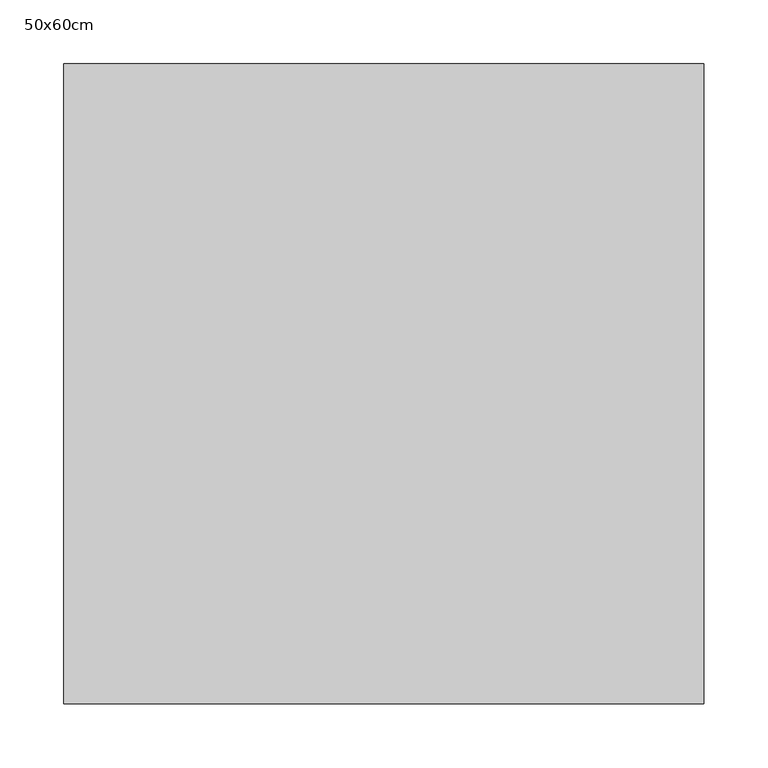
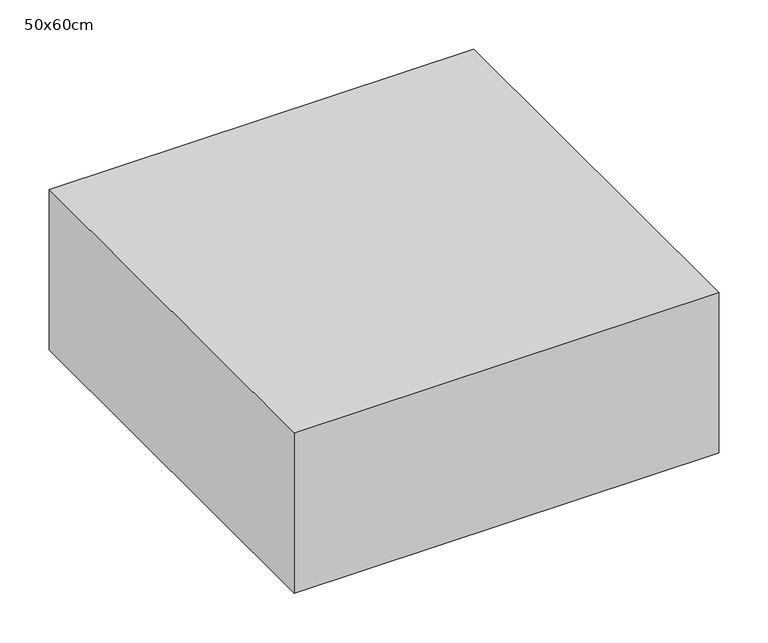
"""IFC4 building model written with IfcOpenShell, lengths in millimetres: proxy geometry, 50x60cm."""

import ifcopenshell
import ifcopenshell.guid

model = None  # the IFC model being written
_history = None  # IfcOwnerHistory: only IFC2X3 demands one
_inside = {}  # id of a spatial element -> (the spatial element, [elements in it])
_under = {}  # id of a project, library or spatial element -> (it, [spatial elements below it])
_declared = {}  # id of a project -> (the project, [libraries it declares])
_typed = {}  # id of a type object -> (the type object, [elements of that type])
_made_of = {}  # id of a material, layer set ... -> (it, [elements and type objects made of it])


def new_model(schema):
    """Start an empty IFC model of exactly this schema.

    Asked for "IFC4X3", IfcOpenShell would pick the latest addendum, in which some entities
    have other attributes; the version numbers below select the first issue.
    IFC2X3 requires an IfcOwnerHistory on every rooted entity: one is made here for all.
    """
    global model, _history
    if schema == "IFC4X3":
        model = ifcopenshell.file(schema_version=(4, 3, 0, 0))
    else:
        model = ifcopenshell.file(schema=schema)
    _inside.clear()
    _under.clear()
    _declared.clear()
    _typed.clear()
    _made_of.clear()
    _history = None
    if model.schema == "IFC2X3":
        org = make("IfcOrganization", Name="unknown")
        user = make(
            "IfcPersonAndOrganization",
            ThePerson=make("IfcPerson", FamilyName="unknown"),
            TheOrganization=org,
        )
        app = make(
            "IfcApplication",
            ApplicationDeveloper=org,
            Version="unknown",
            ApplicationFullName="unknown",
            ApplicationIdentifier="unknown",
        )
        _history = make(
            "IfcOwnerHistory",
            OwningUser=user,
            OwningApplication=app,
            ChangeAction="ADDED",
            CreationDate=0,
        )
    return model


def make(cls, **values):
    """One entity of the class cls with the attributes given. An attribute that is None is left unset."""
    return model.create_entity(
        cls, **{name: value for name, value in values.items() if value is not None}
    )


def rooted(cls, **values):
    """An entity with a GlobalId (a new one), such as an element, a storey or a relation."""
    return make(cls, GlobalId=ifcopenshell.guid.new(), OwnerHistory=_history, **values)


def si_unit(unit_type, name, prefix=None):
    """IfcSIUnit, for example si_unit("LENGTHUNIT", "METRE", prefix="MILLI")."""
    return make("IfcSIUnit", UnitType=unit_type, Prefix=prefix, Name=name)


def assignment(units):
    """IfcUnitAssignment: the units of a project."""
    return None if units is None else make("IfcUnitAssignment", Units=units)


def point(xyz):
    """IfcCartesianPoint."""
    return None if xyz is None else make("IfcCartesianPoint", Coordinates=xyz)


def direction(xyz):
    """IfcDirection."""
    return None if xyz is None else make("IfcDirection", DirectionRatios=xyz)


def frame(location, z_axis=None, x_axis=None):
    """IfcAxis2Placement3D, a coordinate frame: its origin and axes. An axis left out is left unset."""
    return make(
        "IfcAxis2Placement3D",
        Location=point(location),
        Axis=direction(z_axis),
        RefDirection=direction(x_axis),
    )


def origin():
    """The frame at (0, 0, 0) with its axes left unset."""
    return frame((0.0, 0.0, 0.0))


def place(relative_to, where):
    """IfcLocalPlacement: puts the frame where relative to a parent placement (None: the world)."""
    return make(
        "IfcLocalPlacement", PlacementRelTo=relative_to, RelativePlacement=where
    )


def context(
    kind, dimensions, precision=None, world=None, true_north=None, identifier=None
):
    """IfcGeometricRepresentationContext, for example the 3D "Model" context."""
    return make(
        "IfcGeometricRepresentationContext",
        ContextIdentifier=identifier,
        ContextType=kind,
        CoordinateSpaceDimension=dimensions,
        Precision=precision,
        WorldCoordinateSystem=world,
        TrueNorth=true_north,
    )


def project(units=None, contexts=None):
    """IfcProject with its units and contexts."""
    return rooted(
        "IfcProject",
        Name="project",
        RepresentationContexts=contexts,
        UnitsInContext=assignment(units),
    )


def spatial(cls, under=None, at=None, **own):
    """A site, building, storey or space (cls), placed at a placement, below another one or the project."""
    s = rooted(cls, ObjectPlacement=at, **own)
    if under is not None:
        _under.setdefault(under.id(), (under, []))[1].append(s)
    return s


def polyline(points):
    """IfcPolyline through the points."""
    return make("IfcPolyline", Points=[point(p) for p in points])


def outline(outer, holes=None, kind="AREA"):
    """IfcArbitraryClosedProfileDef: a profile drawn as a closed curve; with holes, ...WithVoids."""
    if holes is None:
        return make("IfcArbitraryClosedProfileDef", ProfileType=kind, OuterCurve=outer)
    return make(
        "IfcArbitraryProfileDefWithVoids",
        ProfileType=kind,
        OuterCurve=outer,
        InnerCurves=holes,
    )


def extrude(swept, where, along, depth):
    """IfcExtrudedAreaSolid: the profile swept, set in the frame where, extruded along a direction by depth."""
    return make(
        "IfcExtrudedAreaSolid",
        SweptArea=swept,
        Position=where,
        ExtrudedDirection=direction(along),
        Depth=depth,
    )


def shape(context_of_items, identifier, shape_type, items):
    """IfcShapeRepresentation: the items that make up one representation, for example the "Body"."""
    return make(
        "IfcShapeRepresentation",
        ContextOfItems=context_of_items,
        RepresentationIdentifier=identifier,
        RepresentationType=shape_type,
        Items=items,
    )


def source(mapping_origin, context_of_items, identifier, shape_type, items):
    """IfcRepresentationMap: a shape defined once, which mapped items show again and again."""
    return make(
        "IfcRepresentationMap",
        MappingOrigin=mapping_origin,
        MappedRepresentation=shape(context_of_items, identifier, shape_type, items),
    )


def transform(
    local_origin,
    x_axis=None,
    y_axis=None,
    z_axis=None,
    scale=None,
    scale2=None,
    scale3=None,
    uniform=True,
):
    """IfcCartesianTransformationOperator3D, or its non-uniform kind. x_axis, y_axis, z_axis: its Axis1, 2, 3."""
    if uniform:
        return make(
            "IfcCartesianTransformationOperator3D",
            Axis1=direction(x_axis),
            Axis2=direction(y_axis),
            LocalOrigin=point(local_origin),
            Scale=scale,
            Axis3=direction(z_axis),
        )
    return make(
        "IfcCartesianTransformationOperator3DnonUniform",
        Axis1=direction(x_axis),
        Axis2=direction(y_axis),
        LocalOrigin=point(local_origin),
        Scale=scale,
        Axis3=direction(z_axis),
        Scale2=scale2,
        Scale3=scale3,
    )


def mapped(mapping_source, mapping_target):
    """IfcMappedItem: shows the shape of a source again, moved by a transform."""
    return make(
        "IfcMappedItem", MappingSource=mapping_source, MappingTarget=mapping_target
    )


def made_of(thing, what):
    """Note that an element or type object is made of a material, layer set ...; save() writes the relation."""
    if what is not None:
        _made_of.setdefault(what.id(), (what, []))[1].append(thing)
    return thing


def element(
    cls,
    number,
    at=None,
    inside=None,
    cuts=None,
    type_object=None,
    material=None,
    context=None,
    identifier="Body",
    shape_type=None,
    held_by="IfcProductDefinitionShape",
    body=None,
    shapes=None,
    **own,
):
    """One element of the class cls, such as IfcWall. Its Tag is "e" and its number.

    at: its placement. inside: the storey or other place that contains it. cuts: it is an
    opening in that element (IfcRelVoidsElement). A single representation is given by context,
    identifier, shape_type and body (its items); several are given by shapes. held_by: the class
    of the entity that holds the representations. save() writes the other relations.
    """
    e = rooted(cls, Tag="e%d" % number, ObjectPlacement=at, **own)
    if body is not None:
        shapes = [shape(context, identifier, shape_type, body)]
    if shapes is not None:
        e.Representation = make(held_by, Representations=shapes)
    if inside is not None:
        _inside.setdefault(inside.id(), (inside, []))[1].append(e)
    if cuts is not None:
        rooted(
            "IfcRelVoidsElement", RelatingBuildingElement=cuts, RelatedOpeningElement=e
        )
    if type_object is not None:
        _typed.setdefault(type_object.id(), (type_object, []))[1].append(e)
    return made_of(e, material)


def aggregate(whole, parts):
    """IfcRelAggregates: a whole, such as a stair, and the parts it consists of."""
    return rooted("IfcRelAggregates", RelatingObject=whole, RelatedObjects=parts)


def save(model, path):
    """Write the relations noted so far, then the file.

    IfcRelAggregates (storeys below a building ...), IfcRelContainedInSpatialStructure (elements
    in a storey), IfcRelDefinesByType, IfcRelAssociatesMaterial and IfcRelDeclares: one each for
    every whole, place, type object, material and project.
    """
    for whole, parts in _under.values():
        aggregate(whole, parts)
    for where, things in _inside.values():
        rooted(
            "IfcRelContainedInSpatialStructure",
            RelatedElements=things,
            RelatingStructure=where,
        )
    for kind, things in _typed.values():
        rooted("IfcRelDefinesByType", RelatedObjects=things, RelatingType=kind)
    for what, things in _made_of.values():
        rooted("IfcRelAssociatesMaterial", RelatedObjects=things, RelatingMaterial=what)
    for by, libraries in _declared.values():
        rooted("IfcRelDeclares", RelatingContext=by, RelatedDefinitions=libraries)
    model.write(path)


def proxy_50x60cm_629288d7(model_context):
    return source(origin(), model_context, "Body", "SweptSolid", [
        extrude(outline(polyline([(500.0, 500.0), (500.0, 0.0), (0.0, 0.0), (0.0, 500.0), (500.0, 500.0)])), frame((0.0, 0.0, 100.0), z_axis=(0.0, 0.0, 1.0), x_axis=(1.0, 0.0, 0.0)), (0.0, 0.0, 1.0), 200.0),
    ])


if __name__ == "__main__":
    model = new_model("IFC4")
    model_context = context("Model", 3, world=origin())
    ifc_project = project(units=[si_unit("LENGTHUNIT", "METRE", prefix="MILLI")], contexts=[model_context])
    site = spatial("IfcSite", under=ifc_project)
    building = spatial("IfcBuilding", under=site)
    placement = place(None, origin())
    proxy_50x60cm_shape = proxy_50x60cm_629288d7(model_context)
    element("IfcBuildingElementProxy", 1, Name="50x60cm", ObjectType="50x60cm", at=placement, inside=building, context=model_context, shape_type="MappedRepresentation", body=[
        mapped(proxy_50x60cm_shape, transform((0.0, 0.0, 0.0), x_axis=(1.0, 0.0, 0.0), y_axis=(0.0, 1.0, 0.0), z_axis=(0.0, 0.0, 1.0))),
    ])
    save(model, "model.ifc")
